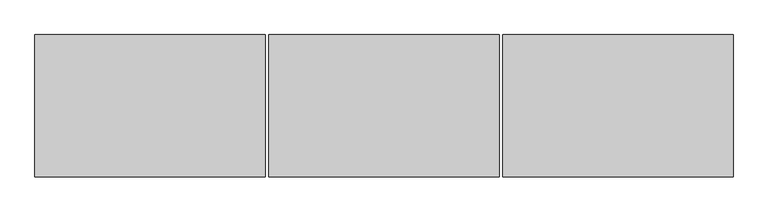
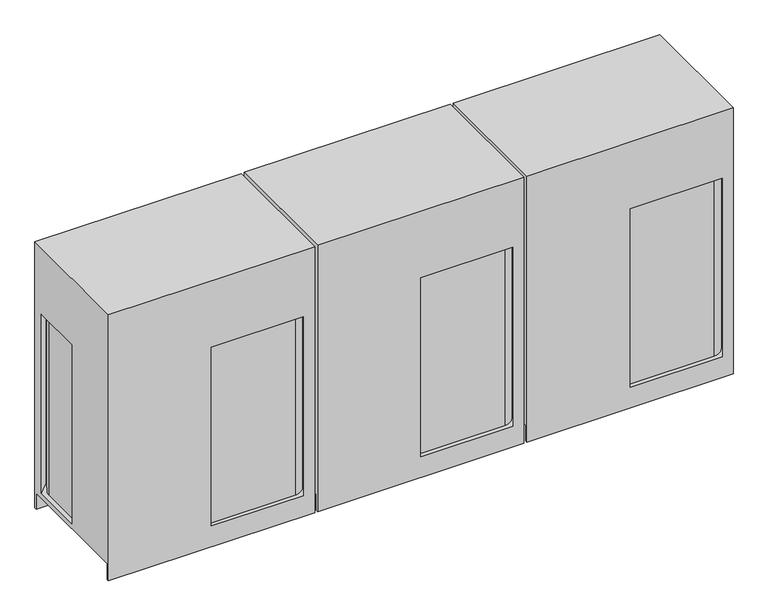
"""IFC4 building model written with IfcOpenShell, lengths in millimetres: proxy geometry."""

from ifc_helpers import new_model, si_unit, point, frame, frame_2d, origin, place, context, project, spatial, circle_curve, trimmed, segment, composite_curve, outline, extrude, source, transform, mapped, element, save
from ifc_brep_helpers import plane_surface, cylinder_surface, advanced_brep


def mechanical_equipment_d9a139be(model_context):
    return source(origin(), model_context, "Body", "SolidModel", [
        extrude(outline(composite_curve([segment(trimmed(circle_curve(frame_2d((885.825, -277.01875)), 17.4625), [point((903.2875, -277.01875))], [point((868.3625, -277.01875))], False, "CARTESIAN"), True, "CONTINUOUS"), segment(trimmed(circle_curve(frame_2d((885.825, -277.01875)), 17.4625), [point((868.3625, -277.01875))], [point((903.2875, -277.01875))], False, "CARTESIAN"), True, "CONTINUOUS")], self_intersect=False)), frame((0.0, 0.0, 203.2), z_axis=(0.0, 0.0, 1.0), x_axis=(1.0, 0.0, 0.0)), (0.0, 0.0, 1.0), 6.35),
        extrude(outline(composite_curve([segment(trimmed(circle_curve(frame_2d((800.1, -281.78125)), 20.6375), [point((779.4625, -281.78125))], [point((820.7375, -281.78125))], False, "CARTESIAN"), True, "CONTINUOUS"), segment(trimmed(circle_curve(frame_2d((800.1, -281.78125)), 20.6375), [point((820.7375, -281.78125))], [point((779.4625, -281.78125))], False, "CARTESIAN"), True, "CONTINUOUS")], self_intersect=False)), frame((0.0, 0.0, 198.4375), z_axis=(0.0, 0.0, 1.0), x_axis=(1.0, 0.0, 0.0)), (0.0, 0.0, 1.0), 6.35),
        extrude(outline(composite_curve([segment(trimmed(circle_curve(frame_2d((741.3625, -311.94375)), 9.525), [point((731.8375, -311.94375))], [point((750.8875, -311.94375))], False, "CARTESIAN"), True, "CONTINUOUS"), segment(trimmed(circle_curve(frame_2d((741.3625, -311.94375)), 9.525), [point((750.8875, -311.94375))], [point((731.8375, -311.94375))], False, "CARTESIAN"), True, "CONTINUOUS")], self_intersect=False)), frame((0.0, 0.0, 307.975), z_axis=(0.0, 0.0, 1.0), x_axis=(1.0, 0.0, 0.0)), (0.0, 0.0, 1.0), 6.35),
        advanced_brep(
        [(1881.1875, -383.38125, 0.0), (639.7625, -383.38125, 0.0), (639.7625, -370.68125, 0.0), (1881.1875, -370.68125, 0.0), (639.7625, 383.38125, 0.0), (1881.1875, 383.38125, 0.0), (1881.1875, 370.68125, 0.0), (639.7625, 370.68125, 0.0), (1881.1875, 383.38125, 1693.8625), (639.7625, 383.38125, 1693.8625), (639.7625, -383.38125, 1693.8625), (1881.1875, -383.38125, 1693.8625), (1881.1875, -370.68125, 101.6), (1881.1875, 370.68125, 101.6), (1881.1875, 316.70625, 131.7752), (1881.1875, -316.70625, 131.7752), (1881.1875, -316.70625, 1270.396875), (1881.1875, 316.70625, 1270.396875), (1814.5125, -383.38125, 131.7752), (1260.4623, -383.38125, 131.7752), (1260.4623, -383.38125, 1270.396875), (1814.5125, -383.38125, 1270.396875), (639.7625, 370.68125, 101.6), (639.7625, -370.68125, 101.6), (639.7625, 0.0, 131.7752), (639.7625, 316.70625, 131.7752), (639.7625, 316.70625, 1270.396875), (639.7625, 0.0, 1270.396875), (706.4375, 383.38125, 131.7752), (1814.5125, 383.38125, 131.7752), (1814.5125, 383.38125, 1270.396875), (706.4375, 383.38125, 1270.396875), (665.1625, 0.0, 131.7752), (665.1625, 281.78125, 131.7752), (741.3625, 357.98125, 131.7752), (1779.5875, 357.98125, 131.7752), (1855.7875, 281.78125, 131.7752), (1855.7875, -281.78125, 131.7752), (1779.5875, -357.98125, 131.7752), (1260.4623, -357.98125, 131.7752), (1260.4623, -357.98125, 1270.396875), (1779.5875, -357.98125, 1270.396875), (1855.7875, -281.78125, 1270.396875), (1855.7875, 281.78125, 1270.396875), (1779.5875, 357.98125, 1270.396875), (741.3625, 357.98125, 1270.396875), (665.1625, 281.78125, 1270.396875), (665.1625, 0.0, 1270.396875)],
        [
            (0, 1),
            (1, 2),
            (2, 3),
            (3, 0),
            (4, 5),
            (5, 6),
            (6, 7),
            (7, 4),
            (8, 9),
            (9, 10),
            (10, 11),
            (11, 8),
            (11, 0),
            (3, 12),
            (12, 13),
            (13, 6),
            (5, 8),
            (14, 15),
            (15, 16),
            (16, 17),
            (17, 14),
            (10, 1),
            (18, 19),
            (19, 20),
            (20, 21),
            (21, 18),
            (9, 4),
            (7, 22),
            (22, 23),
            (23, 2),
            (24, 25),
            (25, 26),
            (26, 27),
            (27, 24),
            (28, 29),
            (29, 30),
            (30, 31),
            (31, 28),
            (22, 13),
            (12, 23),
            (28, 25),
            (24, 32),
            (32, 33),
            (33, 34, circle_curve(frame((741.3625, 281.78125, 131.7752), z_axis=(0.0, 0.0, -1.0), x_axis=(1.0, 0.0, 0.0)), 76.2)),
            (34, 35),
            (35, 36, circle_curve(frame((1779.5875, 281.78125, 131.7752), z_axis=(0.0, 0.0, -1.0), x_axis=(1.0, 0.0, 0.0)), 76.2)),
            (36, 37),
            (37, 38, circle_curve(frame((1779.5875, -281.78125, 131.7752), z_axis=(0.0, 0.0, -1.0), x_axis=(1.0, 0.0, 0.0)), 76.2)),
            (38, 39),
            (39, 19),
            (18, 15),
            (14, 29),
            (30, 17),
            (16, 21),
            (20, 40),
            (40, 41),
            (41, 42, circle_curve(frame((1779.5875, -281.78125, 1270.396875), z_axis=(0.0, 0.0, 1.0), x_axis=(1.0, 0.0, 0.0)), 76.2)),
            (42, 43),
            (43, 44, circle_curve(frame((1779.5875, 281.78125, 1270.396875), z_axis=(0.0, 0.0, 1.0), x_axis=(1.0, 0.0, 0.0)), 76.2)),
            (44, 45),
            (45, 46, circle_curve(frame((741.3625, 281.78125, 1270.396875), z_axis=(0.0, 0.0, 1.0), x_axis=(1.0, 0.0, 0.0)), 76.2)),
            (46, 47),
            (47, 27),
            (26, 31),
            (39, 40),
            (38, 41),
            (37, 42),
            (36, 43),
            (35, 44),
            (34, 45),
            (33, 46),
            (32, 47),
        ],
        [
            plane_surface(frame((1260.475, 21.6296875, 0.0), z_axis=(0.0, 0.0, -1.0), x_axis=(0.0, 1.0, 0.0))),
            plane_surface(frame((1260.475, 21.6296875, 1693.8625), z_axis=(0.0, 0.0, 1.0), x_axis=(0.0, 1.0, 0.0))),
            plane_surface(frame((1881.1875, 383.38125, 0.0), z_axis=(1.0, 0.0, 0.0), x_axis=(0.0, 0.0, 1.0))),
            plane_surface(frame((1881.1875, -383.38125, 0.0), z_axis=(0.0, -1.0, 0.0), x_axis=(0.0, 0.0, 1.0))),
            plane_surface(frame((639.7625, -383.38125, 0.0), z_axis=(-1.0, 0.0, 0.0), x_axis=(0.0, 0.0, 1.0))),
            plane_surface(frame((639.7625, 383.38125, 0.0), z_axis=(0.0, 1.0, 0.0), x_axis=(0.0, 0.0, 1.0))),
            plane_surface(frame((639.7625, -370.68125, 101.6), z_axis=(0.0, 0.0, -1.0), x_axis=(1.0, 0.0, 0.0))),
            plane_surface(frame((639.7625, 370.68125, 101.6), z_axis=(0.0, -1.0, 0.0), x_axis=(1.0, 0.0, 0.0))),
            plane_surface(frame((639.7625, -370.68125, 0.0), z_axis=(0.0, 1.0, 0.0), x_axis=(1.0, 0.0, 0.0))),
            plane_surface(frame((1260.475, 1.8658473, 131.7752), z_axis=(0.0, 0.0, 1.0), x_axis=(0.0, 1.0, 0.0))),
            plane_surface(frame((1260.475, 1.8658473, 1270.396875), z_axis=(0.0, 0.0, -1.0), x_axis=(0.0, 1.0, 0.0))),
            plane_surface(frame((1260.4623, -383.38125, 131.7752), z_axis=(1.0, 0.0, 0.0), x_axis=(0.0, 0.0, 1.0))),
            plane_surface(frame((1260.4623, -357.98125, 131.7752), z_axis=(0.0, -1.0, 0.0), x_axis=(0.0, 0.0, 1.0))),
            cylinder_surface(frame((1779.5875, -281.78125, 131.7752), z_axis=(0.0, 0.0, 1.0), x_axis=(1.0, 0.0, 0.0)), 76.2),
            plane_surface(frame((1855.7875, -281.78125, 131.7752), z_axis=(1.0, 0.0, 0.0), x_axis=(0.0, 0.0, 1.0))),
            cylinder_surface(frame((1779.5875, 281.78125, 131.7752), z_axis=(0.0, 0.0, 1.0), x_axis=(1.0, 0.0, 0.0)), 76.2),
            plane_surface(frame((1779.5875, 357.98125, 131.7752), z_axis=(0.0, 1.0, 0.0), x_axis=(0.0, 0.0, 1.0))),
            cylinder_surface(frame((741.3625, 281.78125, 131.7752), z_axis=(0.0, 0.0, 1.0), x_axis=(1.0, 0.0, 0.0)), 76.2),
            plane_surface(frame((665.1625, 281.78125, 131.7752), z_axis=(-1.0, 0.0, 0.0), x_axis=(0.0, 0.0, 1.0))),
            plane_surface(frame((665.1625, 0.0, 131.7752), z_axis=(0.0, 1.0, 0.0), x_axis=(0.0, 0.0, 1.0))),
            plane_surface(frame((1814.5125, 383.38125, 131.7752), z_axis=(-0.7071067811865517, -0.7071067811865435, 0.0), x_axis=(0.0, 0.0, 1.0))),
            plane_surface(frame((1881.1875, -316.70625, 131.7752), z_axis=(-0.7071067811865445, 0.7071067811865506, 0.0), x_axis=(0.0, 0.0, 1.0))),
            plane_surface(frame((639.7625, 316.70625, 131.7752), z_axis=(0.7071067811865445, -0.7071067811865506, 0.0), x_axis=(0.0, 0.0, 1.0))),
        ],
        [
            (0, [[1, 2, 3, 4]]),
            (0, [[5, 6, 7, 8]]),
            (1, [[9, 10, 11, 12]]),
            (2, [[-12, 13, -4, 14, 15, 16, -6, 17], [18, 19, 20, 21]]),
            (3, [[-1, -13, -11, 22], [23, 24, 25, 26]]),
            (4, [[-10, 27, -8, 28, 29, 30, -2, -22], [31, 32, 33, 34]]),
            (5, [[-5, -27, -9, -17], [35, 36, 37, 38]]),
            (6, [[39, -15, 40, -29]]),
            (7, [[-39, -28, -7, -16]]),
            (8, [[-40, -14, -3, -30]]),
            (9, [[41, -31, 42, 43, 44, 45, 46, 47, 48, 49, 50, -23, 51, -18, 52, -35]]),
            (10, [[53, -20, 54, -25, 55, 56, 57, 58, 59, 60, 61, 62, 63, -33, 64, -37]]),
            (11, [[-50, 65, -55, -24]]),
            (12, [[-49, 66, -56, -65]]),
            (13, [[-48, 67, -57, -66]]),
            (14, [[-47, 68, -58, -67]]),
            (15, [[-46, 69, -59, -68]]),
            (16, [[-45, 70, -60, -69]]),
            (17, [[-44, 71, -61, -70]]),
            (18, [[-43, 72, -62, -71]]),
            (19, [[-42, -34, -63, -72]]),
            (20, [[-52, -21, -53, -36]]),
            (21, [[-51, -26, -54, -19]]),
            (22, [[-41, -38, -64, -32]]),
        ],
    ),
        extrude(outline(composite_curve([segment(trimmed(circle_curve(frame_2d((-374.65, -277.01875)), 17.4625), [point((-357.1875, -277.01875))], [point((-392.1125, -277.01875))], False, "CARTESIAN"), True, "CONTINUOUS"), segment(trimmed(circle_curve(frame_2d((-374.65, -277.01875)), 17.4625), [point((-392.1125, -277.01875))], [point((-357.1875, -277.01875))], False, "CARTESIAN"), True, "CONTINUOUS")], self_intersect=False)), frame((0.0, 0.0, 203.2), z_axis=(0.0, 0.0, 1.0), x_axis=(1.0, 0.0, 0.0)), (0.0, 0.0, 1.0), 6.35),
        extrude(outline(composite_curve([segment(trimmed(circle_curve(frame_2d((-460.375, -281.78125)), 20.6375), [point((-481.0125, -281.78125))], [point((-439.7375, -281.78125))], False, "CARTESIAN"), True, "CONTINUOUS"), segment(trimmed(circle_curve(frame_2d((-460.375, -281.78125)), 20.6375), [point((-439.7375, -281.78125))], [point((-481.0125, -281.78125))], False, "CARTESIAN"), True, "CONTINUOUS")], self_intersect=False)), frame((0.0, 0.0, 198.4375), z_axis=(0.0, 0.0, 1.0), x_axis=(1.0, 0.0, 0.0)), (0.0, 0.0, 1.0), 6.35),
        extrude(outline(composite_curve([segment(trimmed(circle_curve(frame_2d((-519.1125, -311.94375)), 9.525), [point((-528.6375, -311.94375))], [point((-509.5875, -311.94375))], False, "CARTESIAN"), True, "CONTINUOUS"), segment(trimmed(circle_curve(frame_2d((-519.1125, -311.94375)), 9.525), [point((-509.5875, -311.94375))], [point((-528.6375, -311.94375))], False, "CARTESIAN"), True, "CONTINUOUS")], self_intersect=False)), frame((0.0, 0.0, 307.975), z_axis=(0.0, 0.0, 1.0), x_axis=(1.0, 0.0, 0.0)), (0.0, 0.0, 1.0), 6.35),
        advanced_brep(
        [(620.7125, -383.38125, 0.0), (-620.7125, -383.38125, 0.0), (-620.7125, -370.68125, 0.0), (620.7125, -370.68125, 0.0), (-620.7125, 383.38125, 0.0), (620.7125, 383.38125, 0.0), (620.7125, 370.68125, 0.0), (-620.7125, 370.68125, 0.0), (620.7125, 383.38125, 1693.8625), (-620.7125, 383.38125, 1693.8625), (-620.7125, -383.38125, 1693.8625), (620.7125, -383.38125, 1693.8625), (620.7125, -370.68125, 101.6), (620.7125, 370.68125, 101.6), (620.7125, 316.70625, 131.7752), (620.7125, -316.70625, 131.7752), (620.7125, -316.70625, 1270.396875), (620.7125, 316.70625, 1270.396875), (554.0375, -383.38125, 131.7752), (-0.0127, -383.38125, 131.7752), (-0.0127, -383.38125, 1270.396875), (554.0375, -383.38125, 1270.396875), (-620.7125, 370.68125, 101.6), (-620.7125, -370.68125, 101.6), (-620.7125, 0.0, 131.7752), (-620.7125, 316.70625, 131.7752), (-620.7125, 316.70625, 1270.396875), (-620.7125, 0.0, 1270.396875), (-554.0375, 383.38125, 131.7752), (554.0375, 383.38125, 131.7752), (554.0375, 383.38125, 1270.396875), (-554.0375, 383.38125, 1270.396875), (-595.3125, 0.0, 131.7752), (-595.3125, 281.78125, 131.7752), (-519.1125, 357.98125, 131.7752), (519.1125, 357.98125, 131.7752), (595.3125, 281.78125, 131.7752), (595.3125, -281.78125, 131.7752), (519.1125, -357.98125, 131.7752), (-0.0127, -357.98125, 131.7752), (-0.0127, -357.98125, 1270.396875), (519.1125, -357.98125, 1270.396875), (595.3125, -281.78125, 1270.396875), (595.3125, 281.78125, 1270.396875), (519.1125, 357.98125, 1270.396875), (-519.1125, 357.98125, 1270.396875), (-595.3125, 281.78125, 1270.396875), (-595.3125, 0.0, 1270.396875)],
        [
            (0, 1),
            (1, 2),
            (2, 3),
            (3, 0),
            (4, 5),
            (5, 6),
            (6, 7),
            (7, 4),
            (8, 9),
            (9, 10),
            (10, 11),
            (11, 8),
            (11, 0),
            (3, 12),
            (12, 13),
            (13, 6),
            (5, 8),
            (14, 15),
            (15, 16),
            (16, 17),
            (17, 14),
            (10, 1),
            (18, 19),
            (19, 20),
            (20, 21),
            (21, 18),
            (9, 4),
            (7, 22),
            (22, 23),
            (23, 2),
            (24, 25),
            (25, 26),
            (26, 27),
            (27, 24),
            (28, 29),
            (29, 30),
            (30, 31),
            (31, 28),
            (22, 13),
            (12, 23),
            (28, 25),
            (24, 32),
            (32, 33),
            (33, 34, circle_curve(frame((-519.1125, 281.78125, 131.7752), z_axis=(0.0, 0.0, -1.0), x_axis=(1.0, 0.0, 0.0)), 76.2)),
            (34, 35),
            (35, 36, circle_curve(frame((519.1125, 281.78125, 131.7752), z_axis=(0.0, 0.0, -1.0), x_axis=(1.0, 0.0, 0.0)), 76.2)),
            (36, 37),
            (37, 38, circle_curve(frame((519.1125, -281.78125, 131.7752), z_axis=(0.0, 0.0, -1.0), x_axis=(1.0, 0.0, 0.0)), 76.2)),
            (38, 39),
            (39, 19),
            (18, 15),
            (14, 29),
            (30, 17),
            (16, 21),
            (20, 40),
            (40, 41),
            (41, 42, circle_curve(frame((519.1125, -281.78125, 1270.396875), z_axis=(0.0, 0.0, 1.0), x_axis=(1.0, 0.0, 0.0)), 76.2)),
            (42, 43),
            (43, 44, circle_curve(frame((519.1125, 281.78125, 1270.396875), z_axis=(0.0, 0.0, 1.0), x_axis=(1.0, 0.0, 0.0)), 76.2)),
            (44, 45),
            (45, 46, circle_curve(frame((-519.1125, 281.78125, 1270.396875), z_axis=(0.0, 0.0, 1.0), x_axis=(1.0, 0.0, 0.0)), 76.2)),
            (46, 47),
            (47, 27),
            (26, 31),
            (39, 40),
            (38, 41),
            (37, 42),
            (36, 43),
            (35, 44),
            (34, 45),
            (33, 46),
            (32, 47),
        ],
        [
            plane_surface(frame((0.0, 21.6296875, 0.0), z_axis=(0.0, 0.0, -1.0), x_axis=(0.0, 1.0, 0.0))),
            plane_surface(frame((0.0, 21.6296875, 1693.8625), z_axis=(0.0, 0.0, 1.0), x_axis=(0.0, 1.0, 0.0))),
            plane_surface(frame((620.7125, 383.38125, 0.0), z_axis=(1.0, 0.0, 0.0), x_axis=(0.0, 0.0, 1.0))),
            plane_surface(frame((620.7125, -383.38125, 0.0), z_axis=(0.0, -1.0, 0.0), x_axis=(0.0, 0.0, 1.0))),
            plane_surface(frame((-620.7125, -383.38125, 0.0), z_axis=(-1.0, 0.0, 0.0), x_axis=(0.0, 0.0, 1.0))),
            plane_surface(frame((-620.7125, 383.38125, 0.0), z_axis=(0.0, 1.0, 0.0), x_axis=(0.0, 0.0, 1.0))),
            plane_surface(frame((-620.7125, -370.68125, 101.6), z_axis=(0.0, 0.0, -1.0), x_axis=(1.0, 0.0, 0.0))),
            plane_surface(frame((-620.7125, 370.68125, 101.6), z_axis=(0.0, -1.0, 0.0), x_axis=(1.0, 0.0, 0.0))),
            plane_surface(frame((-620.7125, -370.68125, 0.0), z_axis=(0.0, 1.0, 0.0), x_axis=(1.0, 0.0, 0.0))),
            plane_surface(frame((0.0, 1.8658473, 131.7752), z_axis=(0.0, 0.0, 1.0), x_axis=(0.0, 1.0, 0.0))),
            plane_surface(frame((0.0, 1.8658473, 1270.396875), z_axis=(0.0, 0.0, -1.0), x_axis=(0.0, 1.0, 0.0))),
            plane_surface(frame((-0.0127, -383.38125, 131.7752), z_axis=(1.0, 0.0, 0.0), x_axis=(0.0, 0.0, 1.0))),
            plane_surface(frame((-0.0127, -357.98125, 131.7752), z_axis=(0.0, -1.0, 0.0), x_axis=(0.0, 0.0, 1.0))),
            cylinder_surface(frame((519.1125, -281.78125, 131.7752), z_axis=(0.0, 0.0, 1.0), x_axis=(1.0, 0.0, 0.0)), 76.2),
            plane_surface(frame((595.3125, -281.78125, 131.7752), z_axis=(1.0, 0.0, 0.0), x_axis=(0.0, 0.0, 1.0))),
            cylinder_surface(frame((519.1125, 281.78125, 131.7752), z_axis=(0.0, 0.0, 1.0), x_axis=(1.0, 0.0, 0.0)), 76.2),
            plane_surface(frame((519.1125, 357.98125, 131.7752), z_axis=(0.0, 1.0, 0.0), x_axis=(0.0, 0.0, 1.0))),
            cylinder_surface(frame((-519.1125, 281.78125, 131.7752), z_axis=(0.0, 0.0, 1.0), x_axis=(1.0, 0.0, 0.0)), 76.2),
            plane_surface(frame((-595.3125, 281.78125, 131.7752), z_axis=(-1.0, 0.0, 0.0), x_axis=(0.0, 0.0, 1.0))),
            plane_surface(frame((-595.3125, 0.0, 131.7752), z_axis=(0.0, 1.0, 0.0), x_axis=(0.0, 0.0, 1.0))),
            plane_surface(frame((554.0375, 383.38125, 131.7752), z_axis=(-0.7071067811865517, -0.7071067811865435, 0.0), x_axis=(0.0, 0.0, 1.0))),
            plane_surface(frame((620.7125, -316.70625, 131.7752), z_axis=(-0.7071067811865445, 0.7071067811865506, 0.0), x_axis=(0.0, 0.0, 1.0))),
            plane_surface(frame((-620.7125, 316.70625, 131.7752), z_axis=(0.7071067811865445, -0.7071067811865506, 0.0), x_axis=(0.0, 0.0, 1.0))),
        ],
        [
            (0, [[1, 2, 3, 4]]),
            (0, [[5, 6, 7, 8]]),
            (1, [[9, 10, 11, 12]]),
            (2, [[-12, 13, -4, 14, 15, 16, -6, 17], [18, 19, 20, 21]]),
            (3, [[-1, -13, -11, 22], [23, 24, 25, 26]]),
            (4, [[-10, 27, -8, 28, 29, 30, -2, -22], [31, 32, 33, 34]]),
            (5, [[-5, -27, -9, -17], [35, 36, 37, 38]]),
            (6, [[39, -15, 40, -29]]),
            (7, [[-39, -28, -7, -16]]),
            (8, [[-40, -14, -3, -30]]),
            (9, [[41, -31, 42, 43, 44, 45, 46, 47, 48, 49, 50, -23, 51, -18, 52, -35]]),
            (10, [[53, -20, 54, -25, 55, 56, 57, 58, 59, 60, 61, 62, 63, -33, 64, -37]]),
            (11, [[-50, 65, -55, -24]]),
            (12, [[-49, 66, -56, -65]]),
            (13, [[-48, 67, -57, -66]]),
            (14, [[-47, 68, -58, -67]]),
            (15, [[-46, 69, -59, -68]]),
            (16, [[-45, 70, -60, -69]]),
            (17, [[-44, 71, -61, -70]]),
            (18, [[-43, 72, -62, -71]]),
            (19, [[-42, -34, -63, -72]]),
            (20, [[-52, -21, -53, -36]]),
            (21, [[-51, -26, -54, -19]]),
            (22, [[-41, -38, -64, -32]]),
        ],
    ),
        extrude(outline(composite_curve([segment(trimmed(circle_curve(frame_2d((-1635.125, -277.01875)), 17.4625), [point((-1617.6625, -277.01875))], [point((-1652.5875, -277.01875))], False, "CARTESIAN"), True, "CONTINUOUS"), segment(trimmed(circle_curve(frame_2d((-1635.125, -277.01875)), 17.4625), [point((-1652.5875, -277.01875))], [point((-1617.6625, -277.01875))], False, "CARTESIAN"), True, "CONTINUOUS")], self_intersect=False)), frame((0.0, 0.0, 203.2), z_axis=(0.0, 0.0, 1.0), x_axis=(1.0, 0.0, 0.0)), (0.0, 0.0, 1.0), 6.35),
        extrude(outline(composite_curve([segment(trimmed(circle_curve(frame_2d((-1720.85, -281.78125)), 20.6375), [point((-1741.4875, -281.78125))], [point((-1700.2125, -281.78125))], False, "CARTESIAN"), True, "CONTINUOUS"), segment(trimmed(circle_curve(frame_2d((-1720.85, -281.78125)), 20.6375), [point((-1700.2125, -281.78125))], [point((-1741.4875, -281.78125))], False, "CARTESIAN"), True, "CONTINUOUS")], self_intersect=False)), frame((0.0, 0.0, 198.4375), z_axis=(0.0, 0.0, 1.0), x_axis=(1.0, 0.0, 0.0)), (0.0, 0.0, 1.0), 6.35),
        extrude(outline(composite_curve([segment(trimmed(circle_curve(frame_2d((-1779.5875, -311.94375)), 9.525), [point((-1789.1125, -311.94375))], [point((-1770.0625, -311.94375))], False, "CARTESIAN"), True, "CONTINUOUS"), segment(trimmed(circle_curve(frame_2d((-1779.5875, -311.94375)), 9.525), [point((-1770.0625, -311.94375))], [point((-1789.1125, -311.94375))], False, "CARTESIAN"), True, "CONTINUOUS")], self_intersect=False)), frame((0.0, 0.0, 307.975), z_axis=(0.0, 0.0, 1.0), x_axis=(1.0, 0.0, 0.0)), (0.0, 0.0, 1.0), 6.35),
        advanced_brep(
        [(-639.7625, -383.38125, 0.0), (-1881.1875, -383.38125, 0.0), (-1881.1875, -370.68125, 0.0), (-639.7625, -370.68125, 0.0), (-1881.1875, 383.38125, 0.0), (-639.7625, 383.38125, 0.0), (-639.7625, 370.68125, 0.0), (-1881.1875, 370.68125, 0.0), (-639.7625, 383.38125, 1693.8625), (-1881.1875, 383.38125, 1693.8625), (-1881.1875, -383.38125, 1693.8625), (-639.7625, -383.38125, 1693.8625), (-639.7625, -370.68125, 101.6), (-639.7625, 370.68125, 101.6), (-639.7625, 316.70625, 131.7752), (-639.7625, -316.70625, 131.7752), (-639.7625, -316.70625, 1270.396875), (-639.7625, 316.70625, 1270.396875), (-706.4375, -383.38125, 131.7752), (-1260.4877, -383.38125, 131.7752), (-1260.4877, -383.38125, 1270.396875), (-706.4375, -383.38125, 1270.396875), (-1881.1875, 370.68125, 101.6), (-1881.1875, -370.68125, 101.6), (-1881.1875, 0.0, 131.7752), (-1881.1875, 316.70625, 131.7752), (-1881.1875, 316.70625, 1270.396875), (-1881.1875, 0.0, 1270.396875), (-1814.5125, 383.38125, 131.7752), (-706.4375, 383.38125, 131.7752), (-706.4375, 383.38125, 1270.396875), (-1814.5125, 383.38125, 1270.396875), (-1855.7875, 0.0, 131.7752), (-1855.7875, 281.78125, 131.7752), (-1779.5875, 357.98125, 131.7752), (-741.3625, 357.98125, 131.7752), (-665.1625, 281.78125, 131.7752), (-665.1625, -281.78125, 131.7752), (-741.3625, -357.98125, 131.7752), (-1260.4877, -357.98125, 131.7752), (-1260.4877, -357.98125, 1270.396875), (-741.3625, -357.98125, 1270.396875), (-665.1625, -281.78125, 1270.396875), (-665.1625, 281.78125, 1270.396875), (-741.3625, 357.98125, 1270.396875), (-1779.5875, 357.98125, 1270.396875), (-1855.7875, 281.78125, 1270.396875), (-1855.7875, 0.0, 1270.396875)],
        [
            (0, 1),
            (1, 2),
            (2, 3),
            (3, 0),
            (4, 5),
            (5, 6),
            (6, 7),
            (7, 4),
            (8, 9),
            (9, 10),
            (10, 11),
            (11, 8),
            (11, 0),
            (3, 12),
            (12, 13),
            (13, 6),
            (5, 8),
            (14, 15),
            (15, 16),
            (16, 17),
            (17, 14),
            (10, 1),
            (18, 19),
            (19, 20),
            (20, 21),
            (21, 18),
            (9, 4),
            (7, 22),
            (22, 23),
            (23, 2),
            (24, 25),
            (25, 26),
            (26, 27),
            (27, 24),
            (28, 29),
            (29, 30),
            (30, 31),
            (31, 28),
            (22, 13),
            (12, 23),
            (28, 25),
            (24, 32),
            (32, 33),
            (33, 34, circle_curve(frame((-1779.5875, 281.78125, 131.7752), z_axis=(0.0, 0.0, -1.0), x_axis=(1.0, 0.0, 0.0)), 76.2)),
            (34, 35),
            (35, 36, circle_curve(frame((-741.3625, 281.78125, 131.7752), z_axis=(0.0, 0.0, -1.0), x_axis=(1.0, 0.0, 0.0)), 76.2)),
            (36, 37),
            (37, 38, circle_curve(frame((-741.3625, -281.78125, 131.7752), z_axis=(0.0, 0.0, -1.0), x_axis=(1.0, 0.0, 0.0)), 76.2)),
            (38, 39),
            (39, 19),
            (18, 15),
            (14, 29),
            (30, 17),
            (16, 21),
            (20, 40),
            (40, 41),
            (41, 42, circle_curve(frame((-741.3625, -281.78125, 1270.396875), z_axis=(0.0, 0.0, 1.0), x_axis=(1.0, 0.0, 0.0)), 76.2)),
            (42, 43),
            (43, 44, circle_curve(frame((-741.3625, 281.78125, 1270.396875), z_axis=(0.0, 0.0, 1.0), x_axis=(1.0, 0.0, 0.0)), 76.2)),
            (44, 45),
            (45, 46, circle_curve(frame((-1779.5875, 281.78125, 1270.396875), z_axis=(0.0, 0.0, 1.0), x_axis=(1.0, 0.0, 0.0)), 76.2)),
            (46, 47),
            (47, 27),
            (26, 31),
            (39, 40),
            (38, 41),
            (37, 42),
            (36, 43),
            (35, 44),
            (34, 45),
            (33, 46),
            (32, 47),
        ],
        [
            plane_surface(frame((-1260.475, 21.6296875, 0.0), z_axis=(0.0, 0.0, -1.0), x_axis=(0.0, 1.0, 0.0))),
            plane_surface(frame((-1260.475, 21.6296875, 1693.8625), z_axis=(0.0, 0.0, 1.0), x_axis=(0.0, 1.0, 0.0))),
            plane_surface(frame((-639.7625, 383.38125, 0.0), z_axis=(1.0, 0.0, 0.0), x_axis=(0.0, 0.0, 1.0))),
            plane_surface(frame((-639.7625, -383.38125, 0.0), z_axis=(0.0, -1.0, 0.0), x_axis=(0.0, 0.0, 1.0))),
            plane_surface(frame((-1881.1875, -383.38125, 0.0), z_axis=(-1.0, 0.0, 0.0), x_axis=(0.0, 0.0, 1.0))),
            plane_surface(frame((-1881.1875, 383.38125, 0.0), z_axis=(0.0, 1.0, 0.0), x_axis=(0.0, 0.0, 1.0))),
            plane_surface(frame((-1881.1875, -370.68125, 101.6), z_axis=(0.0, 0.0, -1.0), x_axis=(1.0, 0.0, 0.0))),
            plane_surface(frame((-1881.1875, 370.68125, 101.6), z_axis=(0.0, -1.0, 0.0), x_axis=(1.0, 0.0, 0.0))),
            plane_surface(frame((-1881.1875, -370.68125, 0.0), z_axis=(0.0, 1.0, 0.0), x_axis=(1.0, 0.0, 0.0))),
            plane_surface(frame((-1260.475, 1.8658473, 131.7752), z_axis=(0.0, 0.0, 1.0), x_axis=(0.0, 1.0, 0.0))),
            plane_surface(frame((-1260.475, 1.8658473, 1270.396875), z_axis=(0.0, 0.0, -1.0), x_axis=(0.0, 1.0, 0.0))),
            plane_surface(frame((-1260.4877, -383.38125, 131.7752), z_axis=(1.0, 0.0, 0.0), x_axis=(0.0, 0.0, 1.0))),
            plane_surface(frame((-1260.4877, -357.98125, 131.7752), z_axis=(0.0, -1.0, 0.0), x_axis=(0.0, 0.0, 1.0))),
            cylinder_surface(frame((-741.3625, -281.78125, 131.7752), z_axis=(0.0, 0.0, 1.0), x_axis=(1.0, 0.0, 0.0)), 76.2),
            plane_surface(frame((-665.1625, -281.78125, 131.7752), z_axis=(1.0, 0.0, 0.0), x_axis=(0.0, 0.0, 1.0))),
            cylinder_surface(frame((-741.3625, 281.78125, 131.7752), z_axis=(0.0, 0.0, 1.0), x_axis=(1.0, 0.0, 0.0)), 76.2),
            plane_surface(frame((-741.3625, 357.98125, 131.7752), z_axis=(0.0, 1.0, 0.0), x_axis=(0.0, 0.0, 1.0))),
            cylinder_surface(frame((-1779.5875, 281.78125, 131.7752), z_axis=(0.0, 0.0, 1.0), x_axis=(1.0, 0.0, 0.0)), 76.2),
            plane_surface(frame((-1855.7875, 281.78125, 131.7752), z_axis=(-1.0, 0.0, 0.0), x_axis=(0.0, 0.0, 1.0))),
            plane_surface(frame((-1855.7875, 0.0, 131.7752), z_axis=(0.0, 1.0, 0.0), x_axis=(0.0, 0.0, 1.0))),
            plane_surface(frame((-706.4375, 383.38125, 131.7752), z_axis=(-0.7071067811865517, -0.7071067811865435, 0.0), x_axis=(0.0, 0.0, 1.0))),
            plane_surface(frame((-639.7625, -316.70625, 131.7752), z_axis=(-0.7071067811865445, 0.7071067811865506, 0.0), x_axis=(0.0, 0.0, 1.0))),
            plane_surface(frame((-1881.1875, 316.70625, 131.7752), z_axis=(0.7071067811865445, -0.7071067811865506, 0.0), x_axis=(0.0, 0.0, 1.0))),
        ],
        [
            (0, [[1, 2, 3, 4]]),
            (0, [[5, 6, 7, 8]]),
            (1, [[9, 10, 11, 12]]),
            (2, [[-12, 13, -4, 14, 15, 16, -6, 17], [18, 19, 20, 21]]),
            (3, [[-1, -13, -11, 22], [23, 24, 25, 26]]),
            (4, [[-10, 27, -8, 28, 29, 30, -2, -22], [31, 32, 33, 34]]),
            (5, [[-5, -27, -9, -17], [35, 36, 37, 38]]),
            (6, [[39, -15, 40, -29]]),
            (7, [[-39, -28, -7, -16]]),
            (8, [[-40, -14, -3, -30]]),
            (9, [[41, -31, 42, 43, 44, 45, 46, 47, 48, 49, 50, -23, 51, -18, 52, -35]]),
            (10, [[53, -20, 54, -25, 55, 56, 57, 58, 59, 60, 61, 62, 63, -33, 64, -37]]),
            (11, [[-50, 65, -55, -24]]),
            (12, [[-49, 66, -56, -65]]),
            (13, [[-48, 67, -57, -66]]),
            (14, [[-47, 68, -58, -67]]),
            (15, [[-46, 69, -59, -68]]),
            (16, [[-45, 70, -60, -69]]),
            (17, [[-44, 71, -61, -70]]),
            (18, [[-43, 72, -62, -71]]),
            (19, [[-42, -34, -63, -72]]),
            (20, [[-52, -21, -53, -36]]),
            (21, [[-51, -26, -54, -19]]),
            (22, [[-41, -38, -64, -32]]),
        ],
    ),
    ])


if __name__ == "__main__":
    model = new_model("IFC4")
    model_context = context("Model", 3, world=origin())
    ifc_project = project(units=[si_unit("LENGTHUNIT", "METRE", prefix="MILLI")], contexts=[model_context])
    site = spatial("IfcSite", under=ifc_project)
    building = spatial("IfcBuilding", under=site)
    placement = place(None, origin())
    mechanical_equipment_shape = mechanical_equipment_d9a139be(model_context)
    element("IfcBuildingElementProxy", 1, Name="Mechanical Equipment", at=placement, inside=building, context=model_context, shape_type="MappedRepresentation", body=[
        mapped(mechanical_equipment_shape, transform((0.0, 0.0, 0.0), x_axis=(1.0, 0.0, 0.0), y_axis=(0.0, 1.0, 0.0), z_axis=(0.0, 0.0, 1.0))),
    ])
    save(model, "model.ifc")
